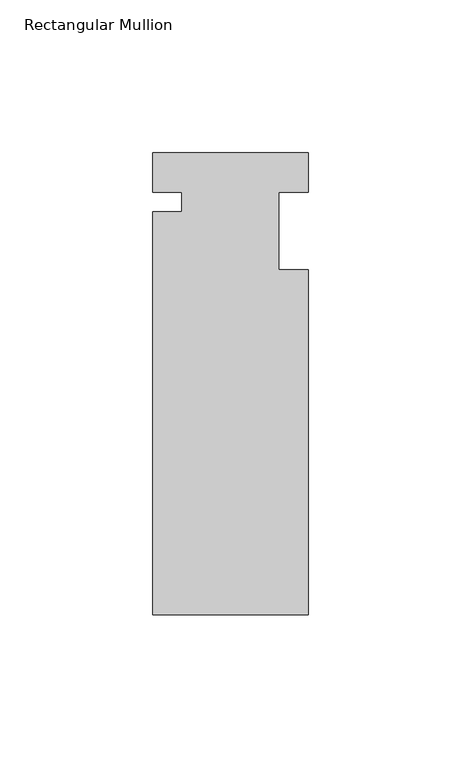
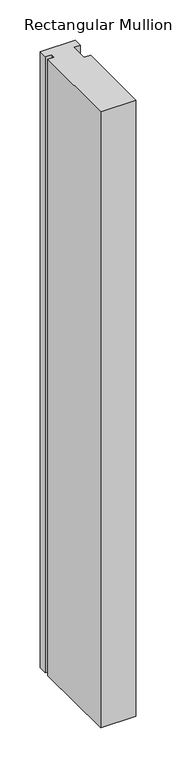
"""IFC4 building model written with IfcOpenShell, lengths in millimetres: member geometry, Rectangular Mullion."""

from ifc_helpers import new_model, si_unit, frame, origin, place, context, project, spatial, polyline, outline, extrude, source, transform, mapped, element, save


def rectangular_mullion_536d99f8(model_context):
    return source(origin(), model_context, "Body", "SweptSolid", [
        extrude(outline(polyline([(-25.4, 12.88415), (25.4, 12.88415), (25.4, 0.0), (15.875, 0.0), (15.875, -25.4), (25.4, -25.4), (25.4, -138.29665), (-25.4, -138.29665), (-25.4, -6.35), (-15.875, -6.35), (-15.875, 0.0), (-25.4, 0.0), (-25.4, 12.88415)])), frame((0.0, 0.0, -939.8), z_axis=(0.0, 0.0, 1.0), x_axis=(1.0, 0.0, 0.0)), (0.0, 0.0, 1.0), 939.8),
    ])


if __name__ == "__main__":
    model = new_model("IFC4")
    model_context = context("Model", 3, world=origin())
    ifc_project = project(units=[si_unit("LENGTHUNIT", "METRE", prefix="MILLI")], contexts=[model_context])
    site = spatial("IfcSite", under=ifc_project)
    building = spatial("IfcBuilding", under=site)
    placement = place(None, origin())
    rectangular_mullion_shape = rectangular_mullion_536d99f8(model_context)
    element("IfcMember", 1, ObjectType="Rectangular Mullion", at=placement, inside=building, context=model_context, shape_type="MappedRepresentation", body=[
        mapped(rectangular_mullion_shape, transform((0.0, 0.0, 0.0), x_axis=(1.0, 0.0, 0.0), y_axis=(0.0, 1.0, 0.0), z_axis=(0.0, 0.0, 1.0))),
    ])
    save(model, "model.ifc")
